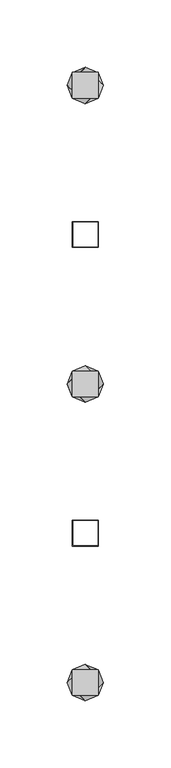
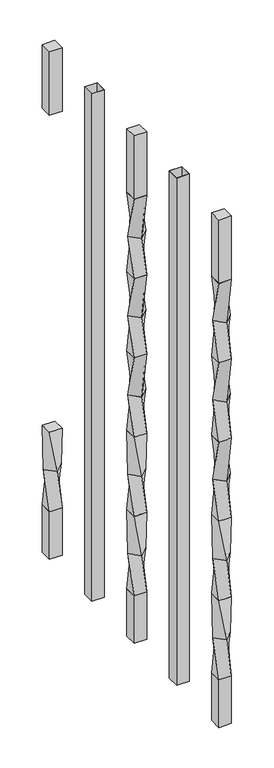
"""IFC4 building model written with IfcOpenShell, lengths in millimetres: railing geometry."""

from ifc_helpers import new_model, si_unit, frame, origin, place, context, project, spatial, polyline, outline, extrude, source, transform, mapped, element, save
from ifc_brep_helpers import plane_surface, spline_surface, advanced_brep


def railing_5497c23b(model_context):
    return source(origin(), model_context, "Body", "SolidModel", [
        advanced_brep(
        [(37142.2176098, 32366.0355744, 304.7958781), (37161.2676098, 32366.0355744, 304.7958781), (37161.2676098, 32385.0855744, 304.7958781), (37142.2176098, 32385.0855744, 304.7958781), (37151.7426098, 32362.0901902, 241.2958781), (37138.2722256, 32375.5605744, 241.2958781), (37151.7426098, 32389.0309585, 241.2958781), (37165.212994, 32375.5605744, 241.2958781)],
        [
            (0, 1),
            (1, 2),
            (2, 3),
            (3, 0),
            (4, 5),
            (5, 6),
            (6, 7),
            (7, 4),
            (7, 1),
            (0, 4),
            (6, 2),
            (5, 3),
        ],
        [
            plane_surface(frame((37151.7426098, 32375.5605744, 304.7958781), z_axis=(0.0, 0.0, 1.0), x_axis=(1.0, 0.0, 0.0))),
            plane_surface(frame((37151.7426098, 32375.5605744, 241.2958781), z_axis=(0.0, 0.0, -1.0), x_axis=(1.0, 0.0, 0.0))),
            spline_surface(1, 1, [[(37151.7426098, 32362.0901902, 241.2958781), (37142.2176098, 32366.0355744, 304.7958781)], [(37165.212994, 32375.5605744, 241.2958781), (37161.2676098, 32366.0355744, 304.7958781)]], [2, 2], [2, 2], [0.0, 1.0], [0.0, 1.0]),
            spline_surface(1, 1, [[(37165.212994, 32375.5605744, 241.2958781), (37161.2676098, 32366.0355744, 304.7958781)], [(37151.7426098, 32389.0309585, 241.2958781), (37161.2676098, 32385.0855744, 304.7958781)]], [2, 2], [2, 2], [0.0, 1.0], [0.0, 1.0]),
            spline_surface(1, 1, [[(37151.7426098, 32389.0309585, 241.2958781), (37161.2676098, 32385.0855744, 304.7958781)], [(37138.2722256, 32375.5605744, 241.2958781), (37142.2176098, 32385.0855744, 304.7958781)]], [2, 2], [2, 2], [0.0, 1.0], [0.0, 1.0]),
            spline_surface(1, 1, [[(37138.2722256, 32375.5605744, 241.2958781), (37142.2176098, 32385.0855744, 304.7958781)], [(37151.7426098, 32362.0901902, 241.2958781), (37142.2176098, 32366.0355744, 304.7958781)]], [2, 2], [2, 2], [0.0, 1.0], [0.0, 1.0]),
        ],
        [
            (0, [[1, 2, 3, 4]]),
            (1, [[5, 6, 7, 8]]),
            (2, [[-8, 9, -1, 10]]),
            (3, [[-7, 11, -2, -9]]),
            (4, [[-6, 12, -3, -11]]),
            (5, [[-5, -10, -4, -12]]),
        ],
    ),
        advanced_brep(
        [(37138.2722256, 32375.5605744, 241.2958781), (37151.7426098, 32362.0901902, 241.2958781), (37165.212994, 32375.5605744, 241.2958781), (37151.7426098, 32389.0309585, 241.2958781), (37142.2176098, 32366.0355744, 177.7958781), (37142.2176098, 32385.0855744, 177.7958781), (37161.2676098, 32385.0855744, 177.7958781), (37161.2676098, 32366.0355744, 177.7958781)],
        [
            (0, 1),
            (1, 2),
            (2, 3),
            (3, 0),
            (4, 5),
            (5, 6),
            (6, 7),
            (7, 4),
            (7, 1),
            (0, 4),
            (6, 2),
            (5, 3),
        ],
        [
            plane_surface(frame((37151.7426098, 32375.5605744, 241.2958781), z_axis=(0.0, 0.0, 1.0), x_axis=(0.7071067811865472, -0.7071067811865479, 0.0))),
            plane_surface(frame((37151.7426098, 32375.5605744, 177.7958781), z_axis=(0.0, 0.0, -1.0), x_axis=(0.7071067811865472, -0.7071067811865479, 0.0))),
            spline_surface(1, 1, [[(37142.2176098, 32366.0355744, 177.7958781), (37138.2722256, 32375.5605744, 241.2958781)], [(37161.2676098, 32366.0355744, 177.7958781), (37151.7426098, 32362.0901902, 241.2958781)]], [2, 2], [2, 2], [0.0, 1.0], [0.0, 1.0]),
            spline_surface(1, 1, [[(37161.2676098, 32366.0355744, 177.7958781), (37151.7426098, 32362.0901902, 241.2958781)], [(37161.2676098, 32385.0855744, 177.7958781), (37165.212994, 32375.5605744, 241.2958781)]], [2, 2], [2, 2], [0.0, 1.0], [0.0, 1.0]),
            spline_surface(1, 1, [[(37161.2676098, 32385.0855744, 177.7958781), (37165.212994, 32375.5605744, 241.2958781)], [(37142.2176098, 32385.0855744, 177.7958781), (37151.7426098, 32389.0309585, 241.2958781)]], [2, 2], [2, 2], [0.0, 1.0], [0.0, 1.0]),
            spline_surface(1, 1, [[(37142.2176098, 32385.0855744, 177.7958781), (37151.7426098, 32389.0309585, 241.2958781)], [(37142.2176098, 32366.0355744, 177.7958781), (37138.2722256, 32375.5605744, 241.2958781)]], [2, 2], [2, 2], [0.0, 1.0], [0.0, 1.0]),
        ],
        [
            (0, [[1, 2, 3, 4]]),
            (1, [[5, 6, 7, 8]]),
            (2, [[-8, 9, -1, 10]]),
            (3, [[-7, 11, -2, -9]]),
            (4, [[-6, 12, -3, -11]]),
            (5, [[-5, -10, -4, -12]]),
        ],
    ),
        extrude(outline(polyline([(37142.2176098, 32366.0355744), (37142.2176098, 32385.0855744), (37161.2676098, 32385.0855744), (37161.2676098, 32366.0355744), (37142.2176098, 32366.0355744)])), frame((0.0, 0.0, 812.7958781), z_axis=(0.0, 0.0, 1.0), x_axis=(1.0, 0.0, 0.0)), (0.0, 0.0, 1.0), 101.6041219),
        extrude(outline(polyline([(37142.2176098, 32366.0355744), (37142.2176098, 32385.0855744), (37161.2676098, 32385.0855744), (37161.2676098, 32366.0355744), (37142.2176098, 32366.0355744)])), frame((0.0, 0.0, 101.5958781), z_axis=(0.0, 0.0, 1.0), x_axis=(1.0, 0.0, 0.0)), (0.0, 0.0, 1.0), 76.2),
        extrude(outline(polyline([(37142.2176098, 32254.9105744), (37142.2176098, 32273.9605744), (37161.2676098, 32273.9605744), (37161.2676098, 32254.9105744), (37142.2176098, 32254.9105744)]), holes=[polyline([(37142.6144848, 32255.3074494), (37160.8707348, 32255.3074494), (37160.8707348, 32273.5636994), (37142.6144848, 32273.5636994), (37142.6144848, 32255.3074494)])]), frame((0.0, 0.0, 101.5958781), z_axis=(0.0, 0.0, 1.0), x_axis=(1.0, 0.0, 0.0)), (0.0, 0.0, 1.0), 812.8041219),
        advanced_brep(
        [(37142.2176098, 32162.8355744, 812.7958781), (37142.2176098, 32143.7855744, 812.7958781), (37161.2676098, 32143.7855744, 812.7958781), (37161.2676098, 32162.8355744, 812.7958781), (37151.7426098, 32166.7809585, 749.2958781), (37165.212994, 32153.3105744, 749.2958781), (37151.7426098, 32139.8401902, 749.2958781), (37138.2722256, 32153.3105744, 749.2958781)],
        [
            (0, 1),
            (1, 2),
            (2, 3),
            (3, 0),
            (4, 5),
            (5, 6),
            (6, 7),
            (7, 4),
            (7, 1),
            (0, 4),
            (6, 2),
            (5, 3),
        ],
        [
            plane_surface(frame((37151.7426098, 32153.3105744, 812.7958781), z_axis=(0.0, 0.0, 1.0), x_axis=(1.0, 0.0, 0.0))),
            plane_surface(frame((37151.7426098, 32153.3105744, 749.2958781), z_axis=(0.0, 0.0, -1.0), x_axis=(1.0, 0.0, 0.0))),
            spline_surface(1, 1, [[(37151.7426098, 32166.7809585, 749.2958781), (37142.2176098, 32162.8355744, 812.7958781)], [(37138.2722256, 32153.3105744, 749.2958781), (37142.2176098, 32143.7855744, 812.7958781)]], [2, 2], [2, 2], [0.0, 1.0], [0.0, 1.0]),
            spline_surface(1, 1, [[(37138.2722256, 32153.3105744, 749.2958781), (37142.2176098, 32143.7855744, 812.7958781)], [(37151.7426098, 32139.8401902, 749.2958781), (37161.2676098, 32143.7855744, 812.7958781)]], [2, 2], [2, 2], [0.0, 1.0], [0.0, 1.0]),
            spline_surface(1, 1, [[(37151.7426098, 32139.8401902, 749.2958781), (37161.2676098, 32143.7855744, 812.7958781)], [(37165.212994, 32153.3105744, 749.2958781), (37161.2676098, 32162.8355744, 812.7958781)]], [2, 2], [2, 2], [0.0, 1.0], [0.0, 1.0]),
            spline_surface(1, 1, [[(37165.212994, 32153.3105744, 749.2958781), (37161.2676098, 32162.8355744, 812.7958781)], [(37151.7426098, 32166.7809585, 749.2958781), (37142.2176098, 32162.8355744, 812.7958781)]], [2, 2], [2, 2], [0.0, 1.0], [0.0, 1.0]),
        ],
        [
            (0, [[1, 2, 3, 4]]),
            (1, [[5, 6, 7, 8]]),
            (2, [[-8, 9, -1, 10]]),
            (3, [[-7, 11, -2, -9]]),
            (4, [[-6, 12, -3, -11]]),
            (5, [[-5, -10, -4, -12]]),
        ],
    ),
        advanced_brep(
        [(37138.2722256, 32153.3105744, 749.2958781), (37151.7426098, 32139.8401902, 749.2958781), (37165.212994, 32153.3105744, 749.2958781), (37151.7426098, 32166.7809585, 749.2958781), (37142.2176098, 32143.7855744, 685.7958781), (37142.2176098, 32162.8355744, 685.7958781), (37161.2676098, 32162.8355744, 685.7958781), (37161.2676098, 32143.7855744, 685.7958781)],
        [
            (0, 1),
            (1, 2),
            (2, 3),
            (3, 0),
            (4, 5),
            (5, 6),
            (6, 7),
            (7, 4),
            (7, 1),
            (0, 4),
            (6, 2),
            (5, 3),
        ],
        [
            plane_surface(frame((37151.7426098, 32153.3105744, 749.2958781), z_axis=(0.0, 0.0, 1.0), x_axis=(-0.7071067811865475, -0.7071067811865476, 0.0))),
            plane_surface(frame((37151.7426098, 32153.3105744, 685.7958781), z_axis=(0.0, 0.0, -1.0), x_axis=(-0.7071067811865475, -0.7071067811865476, 0.0))),
            spline_surface(1, 1, [[(37142.2176098, 32143.7855744, 685.7958781), (37138.2722256, 32153.3105744, 749.2958781)], [(37161.2676098, 32143.7855744, 685.7958781), (37151.7426098, 32139.8401902, 749.2958781)]], [2, 2], [2, 2], [0.0, 1.0], [0.0, 1.0]),
            spline_surface(1, 1, [[(37161.2676098, 32143.7855744, 685.7958781), (37151.7426098, 32139.8401902, 749.2958781)], [(37161.2676098, 32162.8355744, 685.7958781), (37165.212994, 32153.3105744, 749.2958781)]], [2, 2], [2, 2], [0.0, 1.0], [0.0, 1.0]),
            spline_surface(1, 1, [[(37161.2676098, 32162.8355744, 685.7958781), (37165.212994, 32153.3105744, 749.2958781)], [(37142.2176098, 32162.8355744, 685.7958781), (37151.7426098, 32166.7809585, 749.2958781)]], [2, 2], [2, 2], [0.0, 1.0], [0.0, 1.0]),
            spline_surface(1, 1, [[(37142.2176098, 32162.8355744, 685.7958781), (37151.7426098, 32166.7809585, 749.2958781)], [(37142.2176098, 32143.7855744, 685.7958781), (37138.2722256, 32153.3105744, 749.2958781)]], [2, 2], [2, 2], [0.0, 1.0], [0.0, 1.0]),
        ],
        [
            (0, [[1, 2, 3, 4]]),
            (1, [[5, 6, 7, 8]]),
            (2, [[-8, 9, -1, 10]]),
            (3, [[-7, 11, -2, -9]]),
            (4, [[-6, 12, -3, -11]]),
            (5, [[-5, -10, -4, -12]]),
        ],
    ),
        advanced_brep(
        [(37142.2176098, 32162.8355744, 685.7958781), (37142.2176098, 32143.7855744, 685.7958781), (37161.2676098, 32143.7855744, 685.7958781), (37161.2676098, 32162.8355744, 685.7958781), (37151.7426098, 32166.7809585, 622.2958781), (37165.212994, 32153.3105744, 622.2958781), (37151.7426098, 32139.8401902, 622.2958781), (37138.2722256, 32153.3105744, 622.2958781)],
        [
            (0, 1),
            (1, 2),
            (2, 3),
            (3, 0),
            (4, 5),
            (5, 6),
            (6, 7),
            (7, 4),
            (7, 1),
            (0, 4),
            (6, 2),
            (5, 3),
        ],
        [
            plane_surface(frame((37151.7426098, 32153.3105744, 685.7958781), z_axis=(0.0, 0.0, 1.0), x_axis=(1.0, 0.0, 0.0))),
            plane_surface(frame((37151.7426098, 32153.3105744, 622.2958781), z_axis=(0.0, 0.0, -1.0), x_axis=(1.0, 0.0, 0.0))),
            spline_surface(1, 1, [[(37151.7426098, 32166.7809585, 622.2958781), (37142.2176098, 32162.8355744, 685.7958781)], [(37138.2722256, 32153.3105744, 622.2958781), (37142.2176098, 32143.7855744, 685.7958781)]], [2, 2], [2, 2], [0.0, 1.0], [0.0, 1.0]),
            spline_surface(1, 1, [[(37138.2722256, 32153.3105744, 622.2958781), (37142.2176098, 32143.7855744, 685.7958781)], [(37151.7426098, 32139.8401902, 622.2958781), (37161.2676098, 32143.7855744, 685.7958781)]], [2, 2], [2, 2], [0.0, 1.0], [0.0, 1.0]),
            spline_surface(1, 1, [[(37151.7426098, 32139.8401902, 622.2958781), (37161.2676098, 32143.7855744, 685.7958781)], [(37165.212994, 32153.3105744, 622.2958781), (37161.2676098, 32162.8355744, 685.7958781)]], [2, 2], [2, 2], [0.0, 1.0], [0.0, 1.0]),
            spline_surface(1, 1, [[(37165.212994, 32153.3105744, 622.2958781), (37161.2676098, 32162.8355744, 685.7958781)], [(37151.7426098, 32166.7809585, 622.2958781), (37142.2176098, 32162.8355744, 685.7958781)]], [2, 2], [2, 2], [0.0, 1.0], [0.0, 1.0]),
        ],
        [
            (0, [[1, 2, 3, 4]]),
            (1, [[5, 6, 7, 8]]),
            (2, [[-8, 9, -1, 10]]),
            (3, [[-7, 11, -2, -9]]),
            (4, [[-6, 12, -3, -11]]),
            (5, [[-5, -10, -4, -12]]),
        ],
    ),
        advanced_brep(
        [(37138.2722256, 32153.3105744, 622.2958781), (37151.7426098, 32139.8401902, 622.2958781), (37165.212994, 32153.3105744, 622.2958781), (37151.7426098, 32166.7809585, 622.2958781), (37142.2176098, 32143.7855744, 558.7958781), (37142.2176098, 32162.8355744, 558.7958781), (37161.2676098, 32162.8355744, 558.7958781), (37161.2676098, 32143.7855744, 558.7958781)],
        [
            (0, 1),
            (1, 2),
            (2, 3),
            (3, 0),
            (4, 5),
            (5, 6),
            (6, 7),
            (7, 4),
            (7, 1),
            (0, 4),
            (6, 2),
            (5, 3),
        ],
        [
            plane_surface(frame((37151.7426098, 32153.3105744, 622.2958781), z_axis=(0.0, 0.0, 1.0), x_axis=(-0.7071067811865476, -0.7071067811865476, 0.0))),
            plane_surface(frame((37151.7426098, 32153.3105744, 558.7958781), z_axis=(0.0, 0.0, -1.0), x_axis=(-0.7071067811865476, -0.7071067811865476, 0.0))),
            spline_surface(1, 1, [[(37142.2176098, 32143.7855744, 558.7958781), (37138.2722256, 32153.3105744, 622.2958781)], [(37161.2676098, 32143.7855744, 558.7958781), (37151.7426098, 32139.8401902, 622.2958781)]], [2, 2], [2, 2], [0.0, 1.0], [0.0, 1.0]),
            spline_surface(1, 1, [[(37161.2676098, 32143.7855744, 558.7958781), (37151.7426098, 32139.8401902, 622.2958781)], [(37161.2676098, 32162.8355744, 558.7958781), (37165.212994, 32153.3105744, 622.2958781)]], [2, 2], [2, 2], [0.0, 1.0], [0.0, 1.0]),
            spline_surface(1, 1, [[(37161.2676098, 32162.8355744, 558.7958781), (37165.212994, 32153.3105744, 622.2958781)], [(37142.2176098, 32162.8355744, 558.7958781), (37151.7426098, 32166.7809585, 622.2958781)]], [2, 2], [2, 2], [0.0, 1.0], [0.0, 1.0]),
            spline_surface(1, 1, [[(37142.2176098, 32162.8355744, 558.7958781), (37151.7426098, 32166.7809585, 622.2958781)], [(37142.2176098, 32143.7855744, 558.7958781), (37138.2722256, 32153.3105744, 622.2958781)]], [2, 2], [2, 2], [0.0, 1.0], [0.0, 1.0]),
        ],
        [
            (0, [[1, 2, 3, 4]]),
            (1, [[5, 6, 7, 8]]),
            (2, [[-8, 9, -1, 10]]),
            (3, [[-7, 11, -2, -9]]),
            (4, [[-6, 12, -3, -11]]),
            (5, [[-5, -10, -4, -12]]),
        ],
    ),
        advanced_brep(
        [(37142.2176098, 32162.8355744, 558.7958781), (37142.2176098, 32143.7855744, 558.7958781), (37161.2676098, 32143.7855744, 558.7958781), (37161.2676098, 32162.8355744, 558.7958781), (37151.7426098, 32166.7809585, 495.2958781), (37165.212994, 32153.3105744, 495.2958781), (37151.7426098, 32139.8401902, 495.2958781), (37138.2722256, 32153.3105744, 495.2958781)],
        [
            (0, 1),
            (1, 2),
            (2, 3),
            (3, 0),
            (4, 5),
            (5, 6),
            (6, 7),
            (7, 4),
            (7, 1),
            (0, 4),
            (6, 2),
            (5, 3),
        ],
        [
            plane_surface(frame((37151.7426098, 32153.3105744, 558.7958781), z_axis=(0.0, 0.0, 1.0), x_axis=(1.0, 0.0, 0.0))),
            plane_surface(frame((37151.7426098, 32153.3105744, 495.2958781), z_axis=(0.0, 0.0, -1.0), x_axis=(1.0, 0.0, 0.0))),
            spline_surface(1, 1, [[(37151.7426098, 32166.7809585, 495.2958781), (37142.2176098, 32162.8355744, 558.7958781)], [(37138.2722256, 32153.3105744, 495.2958781), (37142.2176098, 32143.7855744, 558.7958781)]], [2, 2], [2, 2], [0.0, 1.0], [0.0, 1.0]),
            spline_surface(1, 1, [[(37138.2722256, 32153.3105744, 495.2958781), (37142.2176098, 32143.7855744, 558.7958781)], [(37151.7426098, 32139.8401902, 495.2958781), (37161.2676098, 32143.7855744, 558.7958781)]], [2, 2], [2, 2], [0.0, 1.0], [0.0, 1.0]),
            spline_surface(1, 1, [[(37151.7426098, 32139.8401902, 495.2958781), (37161.2676098, 32143.7855744, 558.7958781)], [(37165.212994, 32153.3105744, 495.2958781), (37161.2676098, 32162.8355744, 558.7958781)]], [2, 2], [2, 2], [0.0, 1.0], [0.0, 1.0]),
            spline_surface(1, 1, [[(37165.212994, 32153.3105744, 495.2958781), (37161.2676098, 32162.8355744, 558.7958781)], [(37151.7426098, 32166.7809585, 495.2958781), (37142.2176098, 32162.8355744, 558.7958781)]], [2, 2], [2, 2], [0.0, 1.0], [0.0, 1.0]),
        ],
        [
            (0, [[1, 2, 3, 4]]),
            (1, [[5, 6, 7, 8]]),
            (2, [[-8, 9, -1, 10]]),
            (3, [[-7, 11, -2, -9]]),
            (4, [[-6, 12, -3, -11]]),
            (5, [[-5, -10, -4, -12]]),
        ],
    ),
        advanced_brep(
        [(37138.2722256, 32153.3105744, 495.2958781), (37151.7426098, 32139.8401902, 495.2958781), (37165.212994, 32153.3105744, 495.2958781), (37151.7426098, 32166.7809585, 495.2958781), (37142.2176098, 32143.7855744, 431.7958781), (37142.2176098, 32162.8355744, 431.7958781), (37161.2676098, 32162.8355744, 431.7958781), (37161.2676098, 32143.7855744, 431.7958781)],
        [
            (0, 1),
            (1, 2),
            (2, 3),
            (3, 0),
            (4, 5),
            (5, 6),
            (6, 7),
            (7, 4),
            (7, 1),
            (0, 4),
            (6, 2),
            (5, 3),
        ],
        [
            plane_surface(frame((37151.7426098, 32153.3105744, 495.2958781), z_axis=(0.0, 0.0, 1.0), x_axis=(-0.7071067811865475, -0.7071067811865476, 0.0))),
            plane_surface(frame((37151.7426098, 32153.3105744, 431.7958781), z_axis=(0.0, 0.0, -1.0), x_axis=(-0.7071067811865475, -0.7071067811865476, 0.0))),
            spline_surface(1, 1, [[(37142.2176098, 32143.7855744, 431.7958781), (37138.2722256, 32153.3105744, 495.2958781)], [(37161.2676098, 32143.7855744, 431.7958781), (37151.7426098, 32139.8401902, 495.2958781)]], [2, 2], [2, 2], [0.0, 1.0], [0.0, 1.0]),
            spline_surface(1, 1, [[(37161.2676098, 32143.7855744, 431.7958781), (37151.7426098, 32139.8401902, 495.2958781)], [(37161.2676098, 32162.8355744, 431.7958781), (37165.212994, 32153.3105744, 495.2958781)]], [2, 2], [2, 2], [0.0, 1.0], [0.0, 1.0]),
            spline_surface(1, 1, [[(37161.2676098, 32162.8355744, 431.7958781), (37165.212994, 32153.3105744, 495.2958781)], [(37142.2176098, 32162.8355744, 431.7958781), (37151.7426098, 32166.7809585, 495.2958781)]], [2, 2], [2, 2], [0.0, 1.0], [0.0, 1.0]),
            spline_surface(1, 1, [[(37142.2176098, 32162.8355744, 431.7958781), (37151.7426098, 32166.7809585, 495.2958781)], [(37142.2176098, 32143.7855744, 431.7958781), (37138.2722256, 32153.3105744, 495.2958781)]], [2, 2], [2, 2], [0.0, 1.0], [0.0, 1.0]),
        ],
        [
            (0, [[1, 2, 3, 4]]),
            (1, [[5, 6, 7, 8]]),
            (2, [[-8, 9, -1, 10]]),
            (3, [[-7, 11, -2, -9]]),
            (4, [[-6, 12, -3, -11]]),
            (5, [[-5, -10, -4, -12]]),
        ],
    ),
        advanced_brep(
        [(37142.2176098, 32143.7855744, 431.7958781), (37161.2676098, 32143.7855744, 431.7958781), (37161.2676098, 32162.8355744, 431.7958781), (37142.2176098, 32162.8355744, 431.7958781), (37151.7426098, 32139.8401902, 368.2958781), (37138.2722256, 32153.3105744, 368.2958781), (37151.7426098, 32166.7809585, 368.2958781), (37165.212994, 32153.3105744, 368.2958781)],
        [
            (0, 1),
            (1, 2),
            (2, 3),
            (3, 0),
            (4, 5),
            (5, 6),
            (6, 7),
            (7, 4),
            (7, 1),
            (0, 4),
            (6, 2),
            (5, 3),
        ],
        [
            plane_surface(frame((37151.7426098, 32153.3105744, 431.7958781), z_axis=(0.0, 0.0, 1.0), x_axis=(1.0, 0.0, 0.0))),
            plane_surface(frame((37151.7426098, 32153.3105744, 368.2958781), z_axis=(0.0, 0.0, -1.0), x_axis=(1.0, 0.0, 0.0))),
            spline_surface(1, 1, [[(37151.7426098, 32139.8401902, 368.2958781), (37142.2176098, 32143.7855744, 431.7958781)], [(37165.212994, 32153.3105744, 368.2958781), (37161.2676098, 32143.7855744, 431.7958781)]], [2, 2], [2, 2], [0.0, 1.0], [0.0, 1.0]),
            spline_surface(1, 1, [[(37165.212994, 32153.3105744, 368.2958781), (37161.2676098, 32143.7855744, 431.7958781)], [(37151.7426098, 32166.7809585, 368.2958781), (37161.2676098, 32162.8355744, 431.7958781)]], [2, 2], [2, 2], [0.0, 1.0], [0.0, 1.0]),
            spline_surface(1, 1, [[(37151.7426098, 32166.7809585, 368.2958781), (37161.2676098, 32162.8355744, 431.7958781)], [(37138.2722256, 32153.3105744, 368.2958781), (37142.2176098, 32162.8355744, 431.7958781)]], [2, 2], [2, 2], [0.0, 1.0], [0.0, 1.0]),
            spline_surface(1, 1, [[(37138.2722256, 32153.3105744, 368.2958781), (37142.2176098, 32162.8355744, 431.7958781)], [(37151.7426098, 32139.8401902, 368.2958781), (37142.2176098, 32143.7855744, 431.7958781)]], [2, 2], [2, 2], [0.0, 1.0], [0.0, 1.0]),
        ],
        [
            (0, [[1, 2, 3, 4]]),
            (1, [[5, 6, 7, 8]]),
            (2, [[-8, 9, -1, 10]]),
            (3, [[-7, 11, -2, -9]]),
            (4, [[-6, 12, -3, -11]]),
            (5, [[-5, -10, -4, -12]]),
        ],
    ),
        advanced_brep(
        [(37138.2722256, 32153.3105744, 368.2958781), (37151.7426098, 32139.8401902, 368.2958781), (37165.212994, 32153.3105744, 368.2958781), (37151.7426098, 32166.7809585, 368.2958781), (37142.2176098, 32143.7855744, 304.7958781), (37142.2176098, 32162.8355744, 304.7958781), (37161.2676098, 32162.8355744, 304.7958781), (37161.2676098, 32143.7855744, 304.7958781)],
        [
            (0, 1),
            (1, 2),
            (2, 3),
            (3, 0),
            (4, 5),
            (5, 6),
            (6, 7),
            (7, 4),
            (7, 1),
            (0, 4),
            (6, 2),
            (5, 3),
        ],
        [
            plane_surface(frame((37151.7426098, 32153.3105744, 368.2958781), z_axis=(0.0, 0.0, 1.0), x_axis=(-0.7071067811865476, -0.7071067811865476, 0.0))),
            plane_surface(frame((37151.7426098, 32153.3105744, 304.7958781), z_axis=(0.0, 0.0, -1.0), x_axis=(-0.7071067811865476, -0.7071067811865476, 0.0))),
            spline_surface(1, 1, [[(37142.2176098, 32143.7855744, 304.7958781), (37138.2722256, 32153.3105744, 368.2958781)], [(37161.2676098, 32143.7855744, 304.7958781), (37151.7426098, 32139.8401902, 368.2958781)]], [2, 2], [2, 2], [0.0, 1.0], [0.0, 1.0]),
            spline_surface(1, 1, [[(37161.2676098, 32143.7855744, 304.7958781), (37151.7426098, 32139.8401902, 368.2958781)], [(37161.2676098, 32162.8355744, 304.7958781), (37165.212994, 32153.3105744, 368.2958781)]], [2, 2], [2, 2], [0.0, 1.0], [0.0, 1.0]),
            spline_surface(1, 1, [[(37161.2676098, 32162.8355744, 304.7958781), (37165.212994, 32153.3105744, 368.2958781)], [(37142.2176098, 32162.8355744, 304.7958781), (37151.7426098, 32166.7809585, 368.2958781)]], [2, 2], [2, 2], [0.0, 1.0], [0.0, 1.0]),
            spline_surface(1, 1, [[(37142.2176098, 32162.8355744, 304.7958781), (37151.7426098, 32166.7809585, 368.2958781)], [(37142.2176098, 32143.7855744, 304.7958781), (37138.2722256, 32153.3105744, 368.2958781)]], [2, 2], [2, 2], [0.0, 1.0], [0.0, 1.0]),
        ],
        [
            (0, [[1, 2, 3, 4]]),
            (1, [[5, 6, 7, 8]]),
            (2, [[-8, 9, -1, 10]]),
            (3, [[-7, 11, -2, -9]]),
            (4, [[-6, 12, -3, -11]]),
            (5, [[-5, -10, -4, -12]]),
        ],
    ),
        advanced_brep(
        [(37142.2176098, 32143.7855744, 304.7958781), (37161.2676098, 32143.7855744, 304.7958781), (37161.2676098, 32162.8355744, 304.7958781), (37142.2176098, 32162.8355744, 304.7958781), (37151.7426098, 32139.8401902, 241.2958781), (37138.2722256, 32153.3105744, 241.2958781), (37151.7426098, 32166.7809585, 241.2958781), (37165.212994, 32153.3105744, 241.2958781)],
        [
            (0, 1),
            (1, 2),
            (2, 3),
            (3, 0),
            (4, 5),
            (5, 6),
            (6, 7),
            (7, 4),
            (7, 1),
            (0, 4),
            (6, 2),
            (5, 3),
        ],
        [
            plane_surface(frame((37151.7426098, 32153.3105744, 304.7958781), z_axis=(0.0, 0.0, 1.0), x_axis=(1.0, 0.0, 0.0))),
            plane_surface(frame((37151.7426098, 32153.3105744, 241.2958781), z_axis=(0.0, 0.0, -1.0), x_axis=(1.0, 0.0, 0.0))),
            spline_surface(1, 1, [[(37151.7426098, 32139.8401902, 241.2958781), (37142.2176098, 32143.7855744, 304.7958781)], [(37165.212994, 32153.3105744, 241.2958781), (37161.2676098, 32143.7855744, 304.7958781)]], [2, 2], [2, 2], [0.0, 1.0], [0.0, 1.0]),
            spline_surface(1, 1, [[(37165.212994, 32153.3105744, 241.2958781), (37161.2676098, 32143.7855744, 304.7958781)], [(37151.7426098, 32166.7809585, 241.2958781), (37161.2676098, 32162.8355744, 304.7958781)]], [2, 2], [2, 2], [0.0, 1.0], [0.0, 1.0]),
            spline_surface(1, 1, [[(37151.7426098, 32166.7809585, 241.2958781), (37161.2676098, 32162.8355744, 304.7958781)], [(37138.2722256, 32153.3105744, 241.2958781), (37142.2176098, 32162.8355744, 304.7958781)]], [2, 2], [2, 2], [0.0, 1.0], [0.0, 1.0]),
            spline_surface(1, 1, [[(37138.2722256, 32153.3105744, 241.2958781), (37142.2176098, 32162.8355744, 304.7958781)], [(37151.7426098, 32139.8401902, 241.2958781), (37142.2176098, 32143.7855744, 304.7958781)]], [2, 2], [2, 2], [0.0, 1.0], [0.0, 1.0]),
        ],
        [
            (0, [[1, 2, 3, 4]]),
            (1, [[5, 6, 7, 8]]),
            (2, [[-8, 9, -1, 10]]),
            (3, [[-7, 11, -2, -9]]),
            (4, [[-6, 12, -3, -11]]),
            (5, [[-5, -10, -4, -12]]),
        ],
    ),
        advanced_brep(
        [(37138.2722256, 32153.3105744, 241.2958781), (37151.7426098, 32139.8401902, 241.2958781), (37165.212994, 32153.3105744, 241.2958781), (37151.7426098, 32166.7809585, 241.2958781), (37142.2176098, 32143.7855744, 177.7958781), (37142.2176098, 32162.8355744, 177.7958781), (37161.2676098, 32162.8355744, 177.7958781), (37161.2676098, 32143.7855744, 177.7958781)],
        [
            (0, 1),
            (1, 2),
            (2, 3),
            (3, 0),
            (4, 5),
            (5, 6),
            (6, 7),
            (7, 4),
            (7, 1),
            (0, 4),
            (6, 2),
            (5, 3),
        ],
        [
            plane_surface(frame((37151.7426098, 32153.3105744, 241.2958781), z_axis=(0.0, 0.0, 1.0), x_axis=(0.7071067811865472, -0.7071067811865479, 0.0))),
            plane_surface(frame((37151.7426098, 32153.3105744, 177.7958781), z_axis=(0.0, 0.0, -1.0), x_axis=(0.7071067811865472, -0.7071067811865479, 0.0))),
            spline_surface(1, 1, [[(37142.2176098, 32143.7855744, 177.7958781), (37138.2722256, 32153.3105744, 241.2958781)], [(37161.2676098, 32143.7855744, 177.7958781), (37151.7426098, 32139.8401902, 241.2958781)]], [2, 2], [2, 2], [0.0, 1.0], [0.0, 1.0]),
            spline_surface(1, 1, [[(37161.2676098, 32143.7855744, 177.7958781), (37151.7426098, 32139.8401902, 241.2958781)], [(37161.2676098, 32162.8355744, 177.7958781), (37165.212994, 32153.3105744, 241.2958781)]], [2, 2], [2, 2], [0.0, 1.0], [0.0, 1.0]),
            spline_surface(1, 1, [[(37161.2676098, 32162.8355744, 177.7958781), (37165.212994, 32153.3105744, 241.2958781)], [(37142.2176098, 32162.8355744, 177.7958781), (37151.7426098, 32166.7809585, 241.2958781)]], [2, 2], [2, 2], [0.0, 1.0], [0.0, 1.0]),
            spline_surface(1, 1, [[(37142.2176098, 32162.8355744, 177.7958781), (37151.7426098, 32166.7809585, 241.2958781)], [(37142.2176098, 32143.7855744, 177.7958781), (37138.2722256, 32153.3105744, 241.2958781)]], [2, 2], [2, 2], [0.0, 1.0], [0.0, 1.0]),
        ],
        [
            (0, [[1, 2, 3, 4]]),
            (1, [[5, 6, 7, 8]]),
            (2, [[-8, 9, -1, 10]]),
            (3, [[-7, 11, -2, -9]]),
            (4, [[-6, 12, -3, -11]]),
            (5, [[-5, -10, -4, -12]]),
        ],
    ),
        extrude(outline(polyline([(37142.2176098, 32143.7855744), (37142.2176098, 32162.8355744), (37161.2676098, 32162.8355744), (37161.2676098, 32143.7855744), (37142.2176098, 32143.7855744)])), frame((0.0, 0.0, 812.7958781), z_axis=(0.0, 0.0, 1.0), x_axis=(1.0, 0.0, 0.0)), (0.0, 0.0, 1.0), 101.6041219),
        extrude(outline(polyline([(37142.2176098, 32143.7855744), (37142.2176098, 32162.8355744), (37161.2676098, 32162.8355744), (37161.2676098, 32143.7855744), (37142.2176098, 32143.7855744)])), frame((0.0, 0.0, 101.5958781), z_axis=(0.0, 0.0, 1.0), x_axis=(1.0, 0.0, 0.0)), (0.0, 0.0, 1.0), 76.2),
        extrude(outline(polyline([(37142.2176098, 32032.6605744), (37142.2176098, 32051.7105744), (37161.2676098, 32051.7105744), (37161.2676098, 32032.6605744), (37142.2176098, 32032.6605744)]), holes=[polyline([(37142.6144848, 32033.0574494), (37160.8707348, 32033.0574494), (37160.8707348, 32051.3136994), (37142.6144848, 32051.3136994), (37142.6144848, 32033.0574494)])]), frame((0.0, 0.0, 101.5958781), z_axis=(0.0, 0.0, 1.0), x_axis=(1.0, 0.0, 0.0)), (0.0, 0.0, 1.0), 812.8041219),
        advanced_brep(
        [(37142.2176098, 31940.5855744, 812.7958781), (37142.2176098, 31921.5355744, 812.7958781), (37161.2676098, 31921.5355744, 812.7958781), (37161.2676098, 31940.5855744, 812.7958781), (37151.7426098, 31944.5309585, 749.2958781), (37165.212994, 31931.0605744, 749.2958781), (37151.7426098, 31917.5901902, 749.2958781), (37138.2722256, 31931.0605744, 749.2958781)],
        [
            (0, 1),
            (1, 2),
            (2, 3),
            (3, 0),
            (4, 5),
            (5, 6),
            (6, 7),
            (7, 4),
            (7, 1),
            (0, 4),
            (6, 2),
            (5, 3),
        ],
        [
            plane_surface(frame((37151.7426098, 31931.0605744, 812.7958781), z_axis=(0.0, 0.0, 1.0), x_axis=(1.0, 0.0, 0.0))),
            plane_surface(frame((37151.7426098, 31931.0605744, 749.2958781), z_axis=(0.0, 0.0, -1.0), x_axis=(1.0, 0.0, 0.0))),
            spline_surface(1, 1, [[(37151.7426098, 31944.5309585, 749.2958781), (37142.2176098, 31940.5855744, 812.7958781)], [(37138.2722256, 31931.0605744, 749.2958781), (37142.2176098, 31921.5355744, 812.7958781)]], [2, 2], [2, 2], [0.0, 1.0], [0.0, 1.0]),
            spline_surface(1, 1, [[(37138.2722256, 31931.0605744, 749.2958781), (37142.2176098, 31921.5355744, 812.7958781)], [(37151.7426098, 31917.5901902, 749.2958781), (37161.2676098, 31921.5355744, 812.7958781)]], [2, 2], [2, 2], [0.0, 1.0], [0.0, 1.0]),
            spline_surface(1, 1, [[(37151.7426098, 31917.5901902, 749.2958781), (37161.2676098, 31921.5355744, 812.7958781)], [(37165.212994, 31931.0605744, 749.2958781), (37161.2676098, 31940.5855744, 812.7958781)]], [2, 2], [2, 2], [0.0, 1.0], [0.0, 1.0]),
            spline_surface(1, 1, [[(37165.212994, 31931.0605744, 749.2958781), (37161.2676098, 31940.5855744, 812.7958781)], [(37151.7426098, 31944.5309585, 749.2958781), (37142.2176098, 31940.5855744, 812.7958781)]], [2, 2], [2, 2], [0.0, 1.0], [0.0, 1.0]),
        ],
        [
            (0, [[1, 2, 3, 4]]),
            (1, [[5, 6, 7, 8]]),
            (2, [[-8, 9, -1, 10]]),
            (3, [[-7, 11, -2, -9]]),
            (4, [[-6, 12, -3, -11]]),
            (5, [[-5, -10, -4, -12]]),
        ],
    ),
        advanced_brep(
        [(37138.2722256, 31931.0605744, 749.2958781), (37151.7426098, 31917.5901902, 749.2958781), (37165.212994, 31931.0605744, 749.2958781), (37151.7426098, 31944.5309585, 749.2958781), (37142.2176098, 31921.5355744, 685.7958781), (37142.2176098, 31940.5855744, 685.7958781), (37161.2676098, 31940.5855744, 685.7958781), (37161.2676098, 31921.5355744, 685.7958781)],
        [
            (0, 1),
            (1, 2),
            (2, 3),
            (3, 0),
            (4, 5),
            (5, 6),
            (6, 7),
            (7, 4),
            (7, 1),
            (0, 4),
            (6, 2),
            (5, 3),
        ],
        [
            plane_surface(frame((37151.7426098, 31931.0605744, 749.2958781), z_axis=(0.0, 0.0, 1.0), x_axis=(-0.7071067811865475, -0.7071067811865476, 0.0))),
            plane_surface(frame((37151.7426098, 31931.0605744, 685.7958781), z_axis=(0.0, 0.0, -1.0), x_axis=(-0.7071067811865475, -0.7071067811865476, 0.0))),
            spline_surface(1, 1, [[(37142.2176098, 31921.5355744, 685.7958781), (37138.2722256, 31931.0605744, 749.2958781)], [(37161.2676098, 31921.5355744, 685.7958781), (37151.7426098, 31917.5901902, 749.2958781)]], [2, 2], [2, 2], [0.0, 1.0], [0.0, 1.0]),
            spline_surface(1, 1, [[(37161.2676098, 31921.5355744, 685.7958781), (37151.7426098, 31917.5901902, 749.2958781)], [(37161.2676098, 31940.5855744, 685.7958781), (37165.212994, 31931.0605744, 749.2958781)]], [2, 2], [2, 2], [0.0, 1.0], [0.0, 1.0]),
            spline_surface(1, 1, [[(37161.2676098, 31940.5855744, 685.7958781), (37165.212994, 31931.0605744, 749.2958781)], [(37142.2176098, 31940.5855744, 685.7958781), (37151.7426098, 31944.5309585, 749.2958781)]], [2, 2], [2, 2], [0.0, 1.0], [0.0, 1.0]),
            spline_surface(1, 1, [[(37142.2176098, 31940.5855744, 685.7958781), (37151.7426098, 31944.5309585, 749.2958781)], [(37142.2176098, 31921.5355744, 685.7958781), (37138.2722256, 31931.0605744, 749.2958781)]], [2, 2], [2, 2], [0.0, 1.0], [0.0, 1.0]),
        ],
        [
            (0, [[1, 2, 3, 4]]),
            (1, [[5, 6, 7, 8]]),
            (2, [[-8, 9, -1, 10]]),
            (3, [[-7, 11, -2, -9]]),
            (4, [[-6, 12, -3, -11]]),
            (5, [[-5, -10, -4, -12]]),
        ],
    ),
        advanced_brep(
        [(37142.2176098, 31940.5855744, 685.7958781), (37142.2176098, 31921.5355744, 685.7958781), (37161.2676098, 31921.5355744, 685.7958781), (37161.2676098, 31940.5855744, 685.7958781), (37151.7426098, 31944.5309585, 622.2958781), (37165.212994, 31931.0605744, 622.2958781), (37151.7426098, 31917.5901902, 622.2958781), (37138.2722256, 31931.0605744, 622.2958781)],
        [
            (0, 1),
            (1, 2),
            (2, 3),
            (3, 0),
            (4, 5),
            (5, 6),
            (6, 7),
            (7, 4),
            (7, 1),
            (0, 4),
            (6, 2),
            (5, 3),
        ],
        [
            plane_surface(frame((37151.7426098, 31931.0605744, 685.7958781), z_axis=(0.0, 0.0, 1.0), x_axis=(1.0, 0.0, 0.0))),
            plane_surface(frame((37151.7426098, 31931.0605744, 622.2958781), z_axis=(0.0, 0.0, -1.0), x_axis=(1.0, 0.0, 0.0))),
            spline_surface(1, 1, [[(37151.7426098, 31944.5309585, 622.2958781), (37142.2176098, 31940.5855744, 685.7958781)], [(37138.2722256, 31931.0605744, 622.2958781), (37142.2176098, 31921.5355744, 685.7958781)]], [2, 2], [2, 2], [0.0, 1.0], [0.0, 1.0]),
            spline_surface(1, 1, [[(37138.2722256, 31931.0605744, 622.2958781), (37142.2176098, 31921.5355744, 685.7958781)], [(37151.7426098, 31917.5901902, 622.2958781), (37161.2676098, 31921.5355744, 685.7958781)]], [2, 2], [2, 2], [0.0, 1.0], [0.0, 1.0]),
            spline_surface(1, 1, [[(37151.7426098, 31917.5901902, 622.2958781), (37161.2676098, 31921.5355744, 685.7958781)], [(37165.212994, 31931.0605744, 622.2958781), (37161.2676098, 31940.5855744, 685.7958781)]], [2, 2], [2, 2], [0.0, 1.0], [0.0, 1.0]),
            spline_surface(1, 1, [[(37165.212994, 31931.0605744, 622.2958781), (37161.2676098, 31940.5855744, 685.7958781)], [(37151.7426098, 31944.5309585, 622.2958781), (37142.2176098, 31940.5855744, 685.7958781)]], [2, 2], [2, 2], [0.0, 1.0], [0.0, 1.0]),
        ],
        [
            (0, [[1, 2, 3, 4]]),
            (1, [[5, 6, 7, 8]]),
            (2, [[-8, 9, -1, 10]]),
            (3, [[-7, 11, -2, -9]]),
            (4, [[-6, 12, -3, -11]]),
            (5, [[-5, -10, -4, -12]]),
        ],
    ),
        advanced_brep(
        [(37138.2722256, 31931.0605744, 622.2958781), (37151.7426098, 31917.5901902, 622.2958781), (37165.212994, 31931.0605744, 622.2958781), (37151.7426098, 31944.5309585, 622.2958781), (37142.2176098, 31921.5355744, 558.7958781), (37142.2176098, 31940.5855744, 558.7958781), (37161.2676098, 31940.5855744, 558.7958781), (37161.2676098, 31921.5355744, 558.7958781)],
        [
            (0, 1),
            (1, 2),
            (2, 3),
            (3, 0),
            (4, 5),
            (5, 6),
            (6, 7),
            (7, 4),
            (7, 1),
            (0, 4),
            (6, 2),
            (5, 3),
        ],
        [
            plane_surface(frame((37151.7426098, 31931.0605744, 622.2958781), z_axis=(0.0, 0.0, 1.0), x_axis=(-0.7071067811865476, -0.7071067811865476, 0.0))),
            plane_surface(frame((37151.7426098, 31931.0605744, 558.7958781), z_axis=(0.0, 0.0, -1.0), x_axis=(-0.7071067811865476, -0.7071067811865476, 0.0))),
            spline_surface(1, 1, [[(37142.2176098, 31921.5355744, 558.7958781), (37138.2722256, 31931.0605744, 622.2958781)], [(37161.2676098, 31921.5355744, 558.7958781), (37151.7426098, 31917.5901902, 622.2958781)]], [2, 2], [2, 2], [0.0, 1.0], [0.0, 1.0]),
            spline_surface(1, 1, [[(37161.2676098, 31921.5355744, 558.7958781), (37151.7426098, 31917.5901902, 622.2958781)], [(37161.2676098, 31940.5855744, 558.7958781), (37165.212994, 31931.0605744, 622.2958781)]], [2, 2], [2, 2], [0.0, 1.0], [0.0, 1.0]),
            spline_surface(1, 1, [[(37161.2676098, 31940.5855744, 558.7958781), (37165.212994, 31931.0605744, 622.2958781)], [(37142.2176098, 31940.5855744, 558.7958781), (37151.7426098, 31944.5309585, 622.2958781)]], [2, 2], [2, 2], [0.0, 1.0], [0.0, 1.0]),
            spline_surface(1, 1, [[(37142.2176098, 31940.5855744, 558.7958781), (37151.7426098, 31944.5309585, 622.2958781)], [(37142.2176098, 31921.5355744, 558.7958781), (37138.2722256, 31931.0605744, 622.2958781)]], [2, 2], [2, 2], [0.0, 1.0], [0.0, 1.0]),
        ],
        [
            (0, [[1, 2, 3, 4]]),
            (1, [[5, 6, 7, 8]]),
            (2, [[-8, 9, -1, 10]]),
            (3, [[-7, 11, -2, -9]]),
            (4, [[-6, 12, -3, -11]]),
            (5, [[-5, -10, -4, -12]]),
        ],
    ),
        advanced_brep(
        [(37142.2176098, 31940.5855744, 558.7958781), (37142.2176098, 31921.5355744, 558.7958781), (37161.2676098, 31921.5355744, 558.7958781), (37161.2676098, 31940.5855744, 558.7958781), (37151.7426098, 31944.5309585, 495.2958781), (37165.212994, 31931.0605744, 495.2958781), (37151.7426098, 31917.5901902, 495.2958781), (37138.2722256, 31931.0605744, 495.2958781)],
        [
            (0, 1),
            (1, 2),
            (2, 3),
            (3, 0),
            (4, 5),
            (5, 6),
            (6, 7),
            (7, 4),
            (7, 1),
            (0, 4),
            (6, 2),
            (5, 3),
        ],
        [
            plane_surface(frame((37151.7426098, 31931.0605744, 558.7958781), z_axis=(0.0, 0.0, 1.0), x_axis=(1.0, 0.0, 0.0))),
            plane_surface(frame((37151.7426098, 31931.0605744, 495.2958781), z_axis=(0.0, 0.0, -1.0), x_axis=(1.0, 0.0, 0.0))),
            spline_surface(1, 1, [[(37151.7426098, 31944.5309585, 495.2958781), (37142.2176098, 31940.5855744, 558.7958781)], [(37138.2722256, 31931.0605744, 495.2958781), (37142.2176098, 31921.5355744, 558.7958781)]], [2, 2], [2, 2], [0.0, 1.0], [0.0, 1.0]),
            spline_surface(1, 1, [[(37138.2722256, 31931.0605744, 495.2958781), (37142.2176098, 31921.5355744, 558.7958781)], [(37151.7426098, 31917.5901902, 495.2958781), (37161.2676098, 31921.5355744, 558.7958781)]], [2, 2], [2, 2], [0.0, 1.0], [0.0, 1.0]),
            spline_surface(1, 1, [[(37151.7426098, 31917.5901902, 495.2958781), (37161.2676098, 31921.5355744, 558.7958781)], [(37165.212994, 31931.0605744, 495.2958781), (37161.2676098, 31940.5855744, 558.7958781)]], [2, 2], [2, 2], [0.0, 1.0], [0.0, 1.0]),
            spline_surface(1, 1, [[(37165.212994, 31931.0605744, 495.2958781), (37161.2676098, 31940.5855744, 558.7958781)], [(37151.7426098, 31944.5309585, 495.2958781), (37142.2176098, 31940.5855744, 558.7958781)]], [2, 2], [2, 2], [0.0, 1.0], [0.0, 1.0]),
        ],
        [
            (0, [[1, 2, 3, 4]]),
            (1, [[5, 6, 7, 8]]),
            (2, [[-8, 9, -1, 10]]),
            (3, [[-7, 11, -2, -9]]),
            (4, [[-6, 12, -3, -11]]),
            (5, [[-5, -10, -4, -12]]),
        ],
    ),
        advanced_brep(
        [(37138.2722256, 31931.0605744, 495.2958781), (37151.7426098, 31917.5901902, 495.2958781), (37165.212994, 31931.0605744, 495.2958781), (37151.7426098, 31944.5309585, 495.2958781), (37142.2176098, 31921.5355744, 431.7958781), (37142.2176098, 31940.5855744, 431.7958781), (37161.2676098, 31940.5855744, 431.7958781), (37161.2676098, 31921.5355744, 431.7958781)],
        [
            (0, 1),
            (1, 2),
            (2, 3),
            (3, 0),
            (4, 5),
            (5, 6),
            (6, 7),
            (7, 4),
            (7, 1),
            (0, 4),
            (6, 2),
            (5, 3),
        ],
        [
            plane_surface(frame((37151.7426098, 31931.0605744, 495.2958781), z_axis=(0.0, 0.0, 1.0), x_axis=(-0.7071067811865475, -0.7071067811865476, 0.0))),
            plane_surface(frame((37151.7426098, 31931.0605744, 431.7958781), z_axis=(0.0, 0.0, -1.0), x_axis=(-0.7071067811865475, -0.7071067811865476, 0.0))),
            spline_surface(1, 1, [[(37142.2176098, 31921.5355744, 431.7958781), (37138.2722256, 31931.0605744, 495.2958781)], [(37161.2676098, 31921.5355744, 431.7958781), (37151.7426098, 31917.5901902, 495.2958781)]], [2, 2], [2, 2], [0.0, 1.0], [0.0, 1.0]),
            spline_surface(1, 1, [[(37161.2676098, 31921.5355744, 431.7958781), (37151.7426098, 31917.5901902, 495.2958781)], [(37161.2676098, 31940.5855744, 431.7958781), (37165.212994, 31931.0605744, 495.2958781)]], [2, 2], [2, 2], [0.0, 1.0], [0.0, 1.0]),
            spline_surface(1, 1, [[(37161.2676098, 31940.5855744, 431.7958781), (37165.212994, 31931.0605744, 495.2958781)], [(37142.2176098, 31940.5855744, 431.7958781), (37151.7426098, 31944.5309585, 495.2958781)]], [2, 2], [2, 2], [0.0, 1.0], [0.0, 1.0]),
            spline_surface(1, 1, [[(37142.2176098, 31940.5855744, 431.7958781), (37151.7426098, 31944.5309585, 495.2958781)], [(37142.2176098, 31921.5355744, 431.7958781), (37138.2722256, 31931.0605744, 495.2958781)]], [2, 2], [2, 2], [0.0, 1.0], [0.0, 1.0]),
        ],
        [
            (0, [[1, 2, 3, 4]]),
            (1, [[5, 6, 7, 8]]),
            (2, [[-8, 9, -1, 10]]),
            (3, [[-7, 11, -2, -9]]),
            (4, [[-6, 12, -3, -11]]),
            (5, [[-5, -10, -4, -12]]),
        ],
    ),
        advanced_brep(
        [(37142.2176098, 31921.5355744, 431.7958781), (37161.2676098, 31921.5355744, 431.7958781), (37161.2676098, 31940.5855744, 431.7958781), (37142.2176098, 31940.5855744, 431.7958781), (37151.7426098, 31917.5901902, 368.2958781), (37138.2722256, 31931.0605744, 368.2958781), (37151.7426098, 31944.5309585, 368.2958781), (37165.212994, 31931.0605744, 368.2958781)],
        [
            (0, 1),
            (1, 2),
            (2, 3),
            (3, 0),
            (4, 5),
            (5, 6),
            (6, 7),
            (7, 4),
            (7, 1),
            (0, 4),
            (6, 2),
            (5, 3),
        ],
        [
            plane_surface(frame((37151.7426098, 31931.0605744, 431.7958781), z_axis=(0.0, 0.0, 1.0), x_axis=(1.0, 0.0, 0.0))),
            plane_surface(frame((37151.7426098, 31931.0605744, 368.2958781), z_axis=(0.0, 0.0, -1.0), x_axis=(1.0, 0.0, 0.0))),
            spline_surface(1, 1, [[(37151.7426098, 31917.5901902, 368.2958781), (37142.2176098, 31921.5355744, 431.7958781)], [(37165.212994, 31931.0605744, 368.2958781), (37161.2676098, 31921.5355744, 431.7958781)]], [2, 2], [2, 2], [0.0, 1.0], [0.0, 1.0]),
            spline_surface(1, 1, [[(37165.212994, 31931.0605744, 368.2958781), (37161.2676098, 31921.5355744, 431.7958781)], [(37151.7426098, 31944.5309585, 368.2958781), (37161.2676098, 31940.5855744, 431.7958781)]], [2, 2], [2, 2], [0.0, 1.0], [0.0, 1.0]),
            spline_surface(1, 1, [[(37151.7426098, 31944.5309585, 368.2958781), (37161.2676098, 31940.5855744, 431.7958781)], [(37138.2722256, 31931.0605744, 368.2958781), (37142.2176098, 31940.5855744, 431.7958781)]], [2, 2], [2, 2], [0.0, 1.0], [0.0, 1.0]),
            spline_surface(1, 1, [[(37138.2722256, 31931.0605744, 368.2958781), (37142.2176098, 31940.5855744, 431.7958781)], [(37151.7426098, 31917.5901902, 368.2958781), (37142.2176098, 31921.5355744, 431.7958781)]], [2, 2], [2, 2], [0.0, 1.0], [0.0, 1.0]),
        ],
        [
            (0, [[1, 2, 3, 4]]),
            (1, [[5, 6, 7, 8]]),
            (2, [[-8, 9, -1, 10]]),
            (3, [[-7, 11, -2, -9]]),
            (4, [[-6, 12, -3, -11]]),
            (5, [[-5, -10, -4, -12]]),
        ],
    ),
        advanced_brep(
        [(37138.2722256, 31931.0605744, 368.2958781), (37151.7426098, 31917.5901902, 368.2958781), (37165.212994, 31931.0605744, 368.2958781), (37151.7426098, 31944.5309585, 368.2958781), (37142.2176098, 31921.5355744, 304.7958781), (37142.2176098, 31940.5855744, 304.7958781), (37161.2676098, 31940.5855744, 304.7958781), (37161.2676098, 31921.5355744, 304.7958781)],
        [
            (0, 1),
            (1, 2),
            (2, 3),
            (3, 0),
            (4, 5),
            (5, 6),
            (6, 7),
            (7, 4),
            (7, 1),
            (0, 4),
            (6, 2),
            (5, 3),
        ],
        [
            plane_surface(frame((37151.7426098, 31931.0605744, 368.2958781), z_axis=(0.0, 0.0, 1.0), x_axis=(-0.7071067811865476, -0.7071067811865476, 0.0))),
            plane_surface(frame((37151.7426098, 31931.0605744, 304.7958781), z_axis=(0.0, 0.0, -1.0), x_axis=(-0.7071067811865476, -0.7071067811865476, 0.0))),
            spline_surface(1, 1, [[(37142.2176098, 31921.5355744, 304.7958781), (37138.2722256, 31931.0605744, 368.2958781)], [(37161.2676098, 31921.5355744, 304.7958781), (37151.7426098, 31917.5901902, 368.2958781)]], [2, 2], [2, 2], [0.0, 1.0], [0.0, 1.0]),
            spline_surface(1, 1, [[(37161.2676098, 31921.5355744, 304.7958781), (37151.7426098, 31917.5901902, 368.2958781)], [(37161.2676098, 31940.5855744, 304.7958781), (37165.212994, 31931.0605744, 368.2958781)]], [2, 2], [2, 2], [0.0, 1.0], [0.0, 1.0]),
            spline_surface(1, 1, [[(37161.2676098, 31940.5855744, 304.7958781), (37165.212994, 31931.0605744, 368.2958781)], [(37142.2176098, 31940.5855744, 304.7958781), (37151.7426098, 31944.5309585, 368.2958781)]], [2, 2], [2, 2], [0.0, 1.0], [0.0, 1.0]),
            spline_surface(1, 1, [[(37142.2176098, 31940.5855744, 304.7958781), (37151.7426098, 31944.5309585, 368.2958781)], [(37142.2176098, 31921.5355744, 304.7958781), (37138.2722256, 31931.0605744, 368.2958781)]], [2, 2], [2, 2], [0.0, 1.0], [0.0, 1.0]),
        ],
        [
            (0, [[1, 2, 3, 4]]),
            (1, [[5, 6, 7, 8]]),
            (2, [[-8, 9, -1, 10]]),
            (3, [[-7, 11, -2, -9]]),
            (4, [[-6, 12, -3, -11]]),
            (5, [[-5, -10, -4, -12]]),
        ],
    ),
        advanced_brep(
        [(37142.2176098, 31921.5355744, 304.7958781), (37161.2676098, 31921.5355744, 304.7958781), (37161.2676098, 31940.5855744, 304.7958781), (37142.2176098, 31940.5855744, 304.7958781), (37151.7426098, 31917.5901902, 241.2958781), (37138.2722256, 31931.0605744, 241.2958781), (37151.7426098, 31944.5309585, 241.2958781), (37165.212994, 31931.0605744, 241.2958781)],
        [
            (0, 1),
            (1, 2),
            (2, 3),
            (3, 0),
            (4, 5),
            (5, 6),
            (6, 7),
            (7, 4),
            (7, 1),
            (0, 4),
            (6, 2),
            (5, 3),
        ],
        [
            plane_surface(frame((37151.7426098, 31931.0605744, 304.7958781), z_axis=(0.0, 0.0, 1.0), x_axis=(1.0, 0.0, 0.0))),
            plane_surface(frame((37151.7426098, 31931.0605744, 241.2958781), z_axis=(0.0, 0.0, -1.0), x_axis=(1.0, 0.0, 0.0))),
            spline_surface(1, 1, [[(37151.7426098, 31917.5901902, 241.2958781), (37142.2176098, 31921.5355744, 304.7958781)], [(37165.212994, 31931.0605744, 241.2958781), (37161.2676098, 31921.5355744, 304.7958781)]], [2, 2], [2, 2], [0.0, 1.0], [0.0, 1.0]),
            spline_surface(1, 1, [[(37165.212994, 31931.0605744, 241.2958781), (37161.2676098, 31921.5355744, 304.7958781)], [(37151.7426098, 31944.5309585, 241.2958781), (37161.2676098, 31940.5855744, 304.7958781)]], [2, 2], [2, 2], [0.0, 1.0], [0.0, 1.0]),
            spline_surface(1, 1, [[(37151.7426098, 31944.5309585, 241.2958781), (37161.2676098, 31940.5855744, 304.7958781)], [(37138.2722256, 31931.0605744, 241.2958781), (37142.2176098, 31940.5855744, 304.7958781)]], [2, 2], [2, 2], [0.0, 1.0], [0.0, 1.0]),
            spline_surface(1, 1, [[(37138.2722256, 31931.0605744, 241.2958781), (37142.2176098, 31940.5855744, 304.7958781)], [(37151.7426098, 31917.5901902, 241.2958781), (37142.2176098, 31921.5355744, 304.7958781)]], [2, 2], [2, 2], [0.0, 1.0], [0.0, 1.0]),
        ],
        [
            (0, [[1, 2, 3, 4]]),
            (1, [[5, 6, 7, 8]]),
            (2, [[-8, 9, -1, 10]]),
            (3, [[-7, 11, -2, -9]]),
            (4, [[-6, 12, -3, -11]]),
            (5, [[-5, -10, -4, -12]]),
        ],
    ),
        advanced_brep(
        [(37138.2722256, 31931.0605744, 241.2958781), (37151.7426098, 31917.5901902, 241.2958781), (37165.212994, 31931.0605744, 241.2958781), (37151.7426098, 31944.5309585, 241.2958781), (37142.2176098, 31921.5355744, 177.7958781), (37142.2176098, 31940.5855744, 177.7958781), (37161.2676098, 31940.5855744, 177.7958781), (37161.2676098, 31921.5355744, 177.7958781)],
        [
            (0, 1),
            (1, 2),
            (2, 3),
            (3, 0),
            (4, 5),
            (5, 6),
            (6, 7),
            (7, 4),
            (7, 1),
            (0, 4),
            (6, 2),
            (5, 3),
        ],
        [
            plane_surface(frame((37151.7426098, 31931.0605744, 241.2958781), z_axis=(0.0, 0.0, 1.0), x_axis=(0.7071067811865472, -0.7071067811865479, 0.0))),
            plane_surface(frame((37151.7426098, 31931.0605744, 177.7958781), z_axis=(0.0, 0.0, -1.0), x_axis=(0.7071067811865472, -0.7071067811865479, 0.0))),
            spline_surface(1, 1, [[(37142.2176098, 31921.5355744, 177.7958781), (37138.2722256, 31931.0605744, 241.2958781)], [(37161.2676098, 31921.5355744, 177.7958781), (37151.7426098, 31917.5901902, 241.2958781)]], [2, 2], [2, 2], [0.0, 1.0], [0.0, 1.0]),
            spline_surface(1, 1, [[(37161.2676098, 31921.5355744, 177.7958781), (37151.7426098, 31917.5901902, 241.2958781)], [(37161.2676098, 31940.5855744, 177.7958781), (37165.212994, 31931.0605744, 241.2958781)]], [2, 2], [2, 2], [0.0, 1.0], [0.0, 1.0]),
            spline_surface(1, 1, [[(37161.2676098, 31940.5855744, 177.7958781), (37165.212994, 31931.0605744, 241.2958781)], [(37142.2176098, 31940.5855744, 177.7958781), (37151.7426098, 31944.5309585, 241.2958781)]], [2, 2], [2, 2], [0.0, 1.0], [0.0, 1.0]),
            spline_surface(1, 1, [[(37142.2176098, 31940.5855744, 177.7958781), (37151.7426098, 31944.5309585, 241.2958781)], [(37142.2176098, 31921.5355744, 177.7958781), (37138.2722256, 31931.0605744, 241.2958781)]], [2, 2], [2, 2], [0.0, 1.0], [0.0, 1.0]),
        ],
        [
            (0, [[1, 2, 3, 4]]),
            (1, [[5, 6, 7, 8]]),
            (2, [[-8, 9, -1, 10]]),
            (3, [[-7, 11, -2, -9]]),
            (4, [[-6, 12, -3, -11]]),
            (5, [[-5, -10, -4, -12]]),
        ],
    ),
        extrude(outline(polyline([(37142.2176098, 31921.5355744), (37142.2176098, 31940.5855744), (37161.2676098, 31940.5855744), (37161.2676098, 31921.5355744), (37142.2176098, 31921.5355744)])), frame((0.0, 0.0, 812.7958781), z_axis=(0.0, 0.0, 1.0), x_axis=(1.0, 0.0, 0.0)), (0.0, 0.0, 1.0), 101.6041219),
        extrude(outline(polyline([(37142.2176098, 31921.5355744), (37142.2176098, 31940.5855744), (37161.2676098, 31940.5855744), (37161.2676098, 31921.5355744), (37142.2176098, 31921.5355744)])), frame((0.0, 0.0, 101.5958781), z_axis=(0.0, 0.0, 1.0), x_axis=(1.0, 0.0, 0.0)), (0.0, 0.0, 1.0), 76.2),
    ])


if __name__ == "__main__":
    model = new_model("IFC4")
    model_context = context("Model", 3, world=origin())
    ifc_project = project(units=[si_unit("LENGTHUNIT", "METRE", prefix="MILLI")], contexts=[model_context])
    site = spatial("IfcSite", under=ifc_project)
    building = spatial("IfcBuilding", under=site)
    placement = place(None, origin())
    railing_shape = railing_5497c23b(model_context)
    element("IfcRailing", 1, at=placement, inside=building, context=model_context, shape_type="MappedRepresentation", body=[
        mapped(railing_shape, transform((0.0, 0.0, 0.0), x_axis=(1.0, 0.0, 0.0), y_axis=(0.0, 1.0, 0.0), z_axis=(0.0, 0.0, 1.0))),
    ])
    save(model, "model.ifc")
